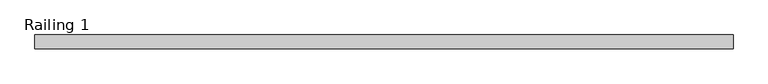
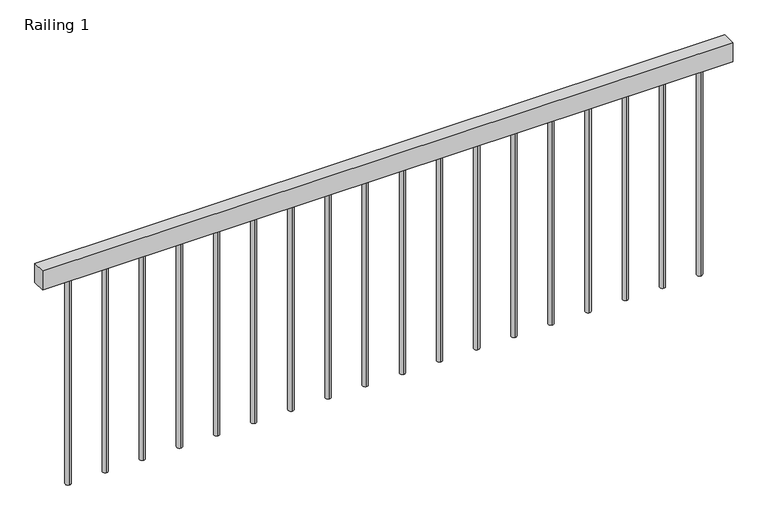
"""IFC4 building model written with IfcOpenShell, lengths in millimetres: railing geometry, Railing 1."""

from ifc_helpers import new_model, si_unit, point, frame, frame_2d, origin, place, context, project, spatial, polyline, circle_curve, trimmed, segment, composite_curve, outline, extrude, source, transform, mapped, element, save


def railing_1_842ff0fa(model_context):
    return source(origin(), model_context, "Body", "SweptSolid", [
        extrude(outline(polyline([(-744.8190995, 6702.7591595), (-744.8190995, 6753.5591595), (1855.1809005, 6753.5591595), (1855.1809005, 6702.7591595), (-744.8190995, 6702.7591595)])), frame((0.0, 0.0, 3863.8), z_axis=(0.0, 0.0, 1.0), x_axis=(1.0, 0.0, 0.0)), (0.0, 0.0, 1.0), 76.2),
        extrude(outline(composite_curve([segment(trimmed(circle_curve(frame_2d((1745.1809005, 6728.1591595)), 10.0), [point((1745.1809005, 6738.1591595))], [point((1745.1809005, 6718.1591595))], False, "CARTESIAN"), True, "CONTINUOUS"), segment(trimmed(circle_curve(frame_2d((1745.1809005, 6728.1591595)), 10.0), [point((1745.1809005, 6718.1591595))], [point((1745.1809005, 6738.1591595))], False, "CARTESIAN"), True, "CONTINUOUS")], self_intersect=False)), frame((0.0, 0.0, 3040.0), z_axis=(0.0, 0.0, 1.0), x_axis=(1.0, 0.0, 0.0)), (0.0, 0.0, 1.0), 823.8),
        extrude(outline(composite_curve([segment(trimmed(circle_curve(frame_2d((1605.1809005, 6728.1591595)), 10.0), [point((1605.1809005, 6738.1591595))], [point((1605.1809005, 6718.1591595))], False, "CARTESIAN"), True, "CONTINUOUS"), segment(trimmed(circle_curve(frame_2d((1605.1809005, 6728.1591595)), 10.0), [point((1605.1809005, 6718.1591595))], [point((1605.1809005, 6738.1591595))], False, "CARTESIAN"), True, "CONTINUOUS")], self_intersect=False)), frame((0.0, 0.0, 3040.0), z_axis=(0.0, 0.0, 1.0), x_axis=(1.0, 0.0, 0.0)), (0.0, 0.0, 1.0), 823.8),
        extrude(outline(composite_curve([segment(trimmed(circle_curve(frame_2d((1465.1809005, 6728.1591595)), 10.0), [point((1465.1809005, 6738.1591595))], [point((1465.1809005, 6718.1591595))], False, "CARTESIAN"), True, "CONTINUOUS"), segment(trimmed(circle_curve(frame_2d((1465.1809005, 6728.1591595)), 10.0), [point((1465.1809005, 6718.1591595))], [point((1465.1809005, 6738.1591595))], False, "CARTESIAN"), True, "CONTINUOUS")], self_intersect=False)), frame((0.0, 0.0, 3040.0), z_axis=(0.0, 0.0, 1.0), x_axis=(1.0, 0.0, 0.0)), (0.0, 0.0, 1.0), 823.8),
        extrude(outline(composite_curve([segment(trimmed(circle_curve(frame_2d((1325.1809005, 6728.1591595)), 10.0), [point((1325.1809005, 6738.1591595))], [point((1325.1809005, 6718.1591595))], False, "CARTESIAN"), True, "CONTINUOUS"), segment(trimmed(circle_curve(frame_2d((1325.1809005, 6728.1591595)), 10.0), [point((1325.1809005, 6718.1591595))], [point((1325.1809005, 6738.1591595))], False, "CARTESIAN"), True, "CONTINUOUS")], self_intersect=False)), frame((0.0, 0.0, 3040.0), z_axis=(0.0, 0.0, 1.0), x_axis=(1.0, 0.0, 0.0)), (0.0, 0.0, 1.0), 823.8),
        extrude(outline(composite_curve([segment(trimmed(circle_curve(frame_2d((1185.1809005, 6728.1591595)), 10.0), [point((1185.1809005, 6738.1591595))], [point((1185.1809005, 6718.1591595))], False, "CARTESIAN"), True, "CONTINUOUS"), segment(trimmed(circle_curve(frame_2d((1185.1809005, 6728.1591595)), 10.0), [point((1185.1809005, 6718.1591595))], [point((1185.1809005, 6738.1591595))], False, "CARTESIAN"), True, "CONTINUOUS")], self_intersect=False)), frame((0.0, 0.0, 3040.0), z_axis=(0.0, 0.0, 1.0), x_axis=(1.0, 0.0, 0.0)), (0.0, 0.0, 1.0), 823.8),
        extrude(outline(composite_curve([segment(trimmed(circle_curve(frame_2d((1045.1809005, 6728.1591595)), 10.0), [point((1045.1809005, 6738.1591595))], [point((1045.1809005, 6718.1591595))], False, "CARTESIAN"), True, "CONTINUOUS"), segment(trimmed(circle_curve(frame_2d((1045.1809005, 6728.1591595)), 10.0), [point((1045.1809005, 6718.1591595))], [point((1045.1809005, 6738.1591595))], False, "CARTESIAN"), True, "CONTINUOUS")], self_intersect=False)), frame((0.0, 0.0, 3040.0), z_axis=(0.0, 0.0, 1.0), x_axis=(1.0, 0.0, 0.0)), (0.0, 0.0, 1.0), 823.8),
        extrude(outline(composite_curve([segment(trimmed(circle_curve(frame_2d((905.1809005, 6728.1591595)), 10.0), [point((905.1809005, 6738.1591595))], [point((905.1809005, 6718.1591595))], False, "CARTESIAN"), True, "CONTINUOUS"), segment(trimmed(circle_curve(frame_2d((905.1809005, 6728.1591595)), 10.0), [point((905.1809005, 6718.1591595))], [point((905.1809005, 6738.1591595))], False, "CARTESIAN"), True, "CONTINUOUS")], self_intersect=False)), frame((0.0, 0.0, 3040.0), z_axis=(0.0, 0.0, 1.0), x_axis=(1.0, 0.0, 0.0)), (0.0, 0.0, 1.0), 823.8),
        extrude(outline(composite_curve([segment(trimmed(circle_curve(frame_2d((765.1809005, 6728.1591595)), 10.0), [point((765.1809005, 6738.1591595))], [point((765.1809005, 6718.1591595))], False, "CARTESIAN"), True, "CONTINUOUS"), segment(trimmed(circle_curve(frame_2d((765.1809005, 6728.1591595)), 10.0), [point((765.1809005, 6718.1591595))], [point((765.1809005, 6738.1591595))], False, "CARTESIAN"), True, "CONTINUOUS")], self_intersect=False)), frame((0.0, 0.0, 3040.0), z_axis=(0.0, 0.0, 1.0), x_axis=(1.0, 0.0, 0.0)), (0.0, 0.0, 1.0), 823.8),
        extrude(outline(composite_curve([segment(trimmed(circle_curve(frame_2d((625.1809005, 6728.1591595)), 10.0), [point((625.1809005, 6738.1591595))], [point((625.1809005, 6718.1591595))], False, "CARTESIAN"), True, "CONTINUOUS"), segment(trimmed(circle_curve(frame_2d((625.1809005, 6728.1591595)), 10.0), [point((625.1809005, 6718.1591595))], [point((625.1809005, 6738.1591595))], False, "CARTESIAN"), True, "CONTINUOUS")], self_intersect=False)), frame((0.0, 0.0, 3040.0), z_axis=(0.0, 0.0, 1.0), x_axis=(1.0, 0.0, 0.0)), (0.0, 0.0, 1.0), 823.8),
        extrude(outline(composite_curve([segment(trimmed(circle_curve(frame_2d((485.1809005, 6728.1591595)), 10.0), [point((485.1809005, 6738.1591595))], [point((485.1809005, 6718.1591595))], False, "CARTESIAN"), True, "CONTINUOUS"), segment(trimmed(circle_curve(frame_2d((485.1809005, 6728.1591595)), 10.0), [point((485.1809005, 6718.1591595))], [point((485.1809005, 6738.1591595))], False, "CARTESIAN"), True, "CONTINUOUS")], self_intersect=False)), frame((0.0, 0.0, 3040.0), z_axis=(0.0, 0.0, 1.0), x_axis=(1.0, 0.0, 0.0)), (0.0, 0.0, 1.0), 823.8),
        extrude(outline(composite_curve([segment(trimmed(circle_curve(frame_2d((345.1809005, 6728.1591595)), 10.0), [point((345.1809005, 6738.1591595))], [point((345.1809005, 6718.1591595))], False, "CARTESIAN"), True, "CONTINUOUS"), segment(trimmed(circle_curve(frame_2d((345.1809005, 6728.1591595)), 10.0), [point((345.1809005, 6718.1591595))], [point((345.1809005, 6738.1591595))], False, "CARTESIAN"), True, "CONTINUOUS")], self_intersect=False)), frame((0.0, 0.0, 3040.0), z_axis=(0.0, 0.0, 1.0), x_axis=(1.0, 0.0, 0.0)), (0.0, 0.0, 1.0), 823.8),
        extrude(outline(composite_curve([segment(trimmed(circle_curve(frame_2d((205.1809005, 6728.1591595)), 10.0), [point((205.1809005, 6738.1591595))], [point((205.1809005, 6718.1591595))], False, "CARTESIAN"), True, "CONTINUOUS"), segment(trimmed(circle_curve(frame_2d((205.1809005, 6728.1591595)), 10.0), [point((205.1809005, 6718.1591595))], [point((205.1809005, 6738.1591595))], False, "CARTESIAN"), True, "CONTINUOUS")], self_intersect=False)), frame((0.0, 0.0, 3040.0), z_axis=(0.0, 0.0, 1.0), x_axis=(1.0, 0.0, 0.0)), (0.0, 0.0, 1.0), 823.8),
        extrude(outline(composite_curve([segment(trimmed(circle_curve(frame_2d((65.1809005, 6728.1591595)), 10.0), [point((65.1809005, 6738.1591595))], [point((65.1809005, 6718.1591595))], False, "CARTESIAN"), True, "CONTINUOUS"), segment(trimmed(circle_curve(frame_2d((65.1809005, 6728.1591595)), 10.0), [point((65.1809005, 6718.1591595))], [point((65.1809005, 6738.1591595))], False, "CARTESIAN"), True, "CONTINUOUS")], self_intersect=False)), frame((0.0, 0.0, 3040.0), z_axis=(0.0, 0.0, 1.0), x_axis=(1.0, 0.0, 0.0)), (0.0, 0.0, 1.0), 823.8),
        extrude(outline(composite_curve([segment(trimmed(circle_curve(frame_2d((-74.8190995, 6728.1591595)), 10.0), [point((-74.8190995, 6738.1591595))], [point((-74.8190995, 6718.1591595))], False, "CARTESIAN"), True, "CONTINUOUS"), segment(trimmed(circle_curve(frame_2d((-74.8190995, 6728.1591595)), 10.0), [point((-74.8190995, 6718.1591595))], [point((-74.8190995, 6738.1591595))], False, "CARTESIAN"), True, "CONTINUOUS")], self_intersect=False)), frame((0.0, 0.0, 3040.0), z_axis=(0.0, 0.0, 1.0), x_axis=(1.0, 0.0, 0.0)), (0.0, 0.0, 1.0), 823.8),
        extrude(outline(composite_curve([segment(trimmed(circle_curve(frame_2d((-214.8190995, 6728.1591595)), 10.0), [point((-214.8190995, 6738.1591595))], [point((-214.8190995, 6718.1591595))], False, "CARTESIAN"), True, "CONTINUOUS"), segment(trimmed(circle_curve(frame_2d((-214.8190995, 6728.1591595)), 10.0), [point((-214.8190995, 6718.1591595))], [point((-214.8190995, 6738.1591595))], False, "CARTESIAN"), True, "CONTINUOUS")], self_intersect=False)), frame((0.0, 0.0, 3040.0), z_axis=(0.0, 0.0, 1.0), x_axis=(1.0, 0.0, 0.0)), (0.0, 0.0, 1.0), 823.8),
        extrude(outline(composite_curve([segment(trimmed(circle_curve(frame_2d((-354.8190995, 6728.1591595)), 10.0), [point((-354.8190995, 6738.1591595))], [point((-354.8190995, 6718.1591595))], False, "CARTESIAN"), True, "CONTINUOUS"), segment(trimmed(circle_curve(frame_2d((-354.8190995, 6728.1591595)), 10.0), [point((-354.8190995, 6718.1591595))], [point((-354.8190995, 6738.1591595))], False, "CARTESIAN"), True, "CONTINUOUS")], self_intersect=False)), frame((0.0, 0.0, 3040.0), z_axis=(0.0, 0.0, 1.0), x_axis=(1.0, 0.0, 0.0)), (0.0, 0.0, 1.0), 823.8),
        extrude(outline(composite_curve([segment(trimmed(circle_curve(frame_2d((-494.8190995, 6728.1591595)), 10.0), [point((-494.8190995, 6738.1591595))], [point((-494.8190995, 6718.1591595))], False, "CARTESIAN"), True, "CONTINUOUS"), segment(trimmed(circle_curve(frame_2d((-494.8190995, 6728.1591595)), 10.0), [point((-494.8190995, 6718.1591595))], [point((-494.8190995, 6738.1591595))], False, "CARTESIAN"), True, "CONTINUOUS")], self_intersect=False)), frame((0.0, 0.0, 3040.0), z_axis=(0.0, 0.0, 1.0), x_axis=(1.0, 0.0, 0.0)), (0.0, 0.0, 1.0), 823.8),
        extrude(outline(composite_curve([segment(trimmed(circle_curve(frame_2d((-634.8190995, 6728.1591595)), 10.0), [point((-634.8190995, 6738.1591595))], [point((-634.8190995, 6718.1591595))], False, "CARTESIAN"), True, "CONTINUOUS"), segment(trimmed(circle_curve(frame_2d((-634.8190995, 6728.1591595)), 10.0), [point((-634.8190995, 6718.1591595))], [point((-634.8190995, 6738.1591595))], False, "CARTESIAN"), True, "CONTINUOUS")], self_intersect=False)), frame((0.0, 0.0, 3040.0), z_axis=(0.0, 0.0, 1.0), x_axis=(1.0, 0.0, 0.0)), (0.0, 0.0, 1.0), 823.8),
    ])


if __name__ == "__main__":
    model = new_model("IFC4")
    model_context = context("Model", 3, world=origin())
    ifc_project = project(units=[si_unit("LENGTHUNIT", "METRE", prefix="MILLI")], contexts=[model_context])
    site = spatial("IfcSite", under=ifc_project)
    building = spatial("IfcBuilding", under=site)
    placement = place(None, origin())
    railing_1_shape = railing_1_842ff0fa(model_context)
    element("IfcRailing", 1, ObjectType="Railing 1", at=placement, inside=building, context=model_context, shape_type="MappedRepresentation", body=[
        mapped(railing_1_shape, transform((0.0, 0.0, 0.0), x_axis=(1.0, 0.0, 0.0), y_axis=(0.0, 1.0, 0.0), z_axis=(0.0, 0.0, 1.0))),
    ])
    save(model, "model.ifc")
